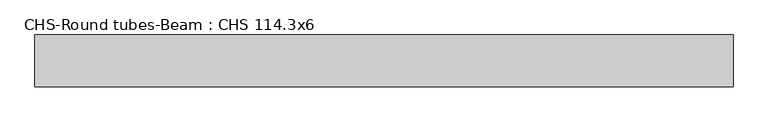
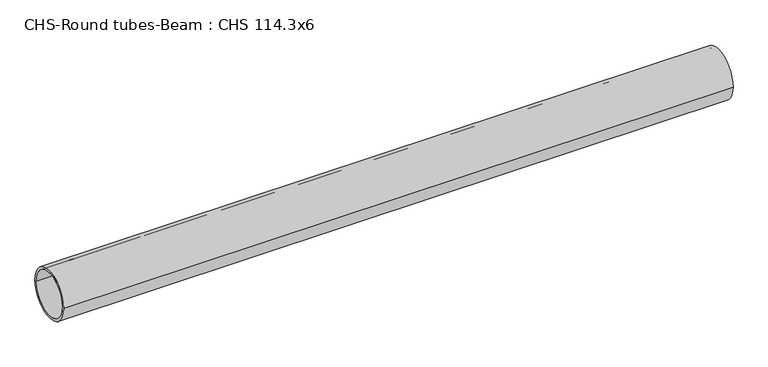
"""IFC4 building model written with IfcOpenShell, lengths in millimetres: beam geometry, CHS-Round tubes-Beam : CHS 114.3x6."""

from ifc_helpers import new_model, si_unit, point, frame, origin, origin_2d, place, context, project, spatial, circle_curve, trimmed, segment, composite_curve, outline, extrude, source, transform, mapped, element, save


def chs_round_tubes_beam_chs_114_3x6_e3d2d596(model_context):
    return source(origin(), model_context, "Body", "SweptSolid", [
        extrude(outline(composite_curve([segment(trimmed(circle_curve(origin_2d(), 57.15), [point((57.15, 0.0))], [point((-57.15, 0.0))], False, "CARTESIAN"), True, "CONTINUOUS"), segment(trimmed(circle_curve(origin_2d(), 57.15), [point((-57.15, 0.0))], [point((57.15, 0.0))], False, "CARTESIAN"), True, "CONTINUOUS")], self_intersect=False), holes=[composite_curve([segment(trimmed(circle_curve(origin_2d(), 51.15), [point((51.15, 0.0))], [point((-51.15, 0.0))], True, "CARTESIAN"), True, "CONTINUOUS"), segment(trimmed(circle_curve(origin_2d(), 51.15), [point((-51.15, 0.0))], [point((51.15, 0.0))], True, "CARTESIAN"), True, "CONTINUOUS")], self_intersect=False)]), frame((-759.9796074, 0.0, 0.0), z_axis=(1.0, 0.0, 0.0), x_axis=(0.0, 1.0, 0.0)), (0.0, 0.0, 1.0), 1532.8013138),
    ])


if __name__ == "__main__":
    model = new_model("IFC4")
    model_context = context("Model", 3, world=origin())
    ifc_project = project(units=[si_unit("LENGTHUNIT", "METRE", prefix="MILLI")], contexts=[model_context])
    site = spatial("IfcSite", under=ifc_project)
    building = spatial("IfcBuilding", under=site)
    placement = place(None, origin())
    chs_round_tubes_beam_chs_114_3x6_shape = chs_round_tubes_beam_chs_114_3x6_e3d2d596(model_context)
    element("IfcBeam", 1, ObjectType="CHS-Round tubes-Beam : CHS 114.3x6", at=placement, inside=building, context=model_context, shape_type="MappedRepresentation", body=[
        mapped(chs_round_tubes_beam_chs_114_3x6_shape, transform((0.0, 0.0, 0.0), x_axis=(1.0, 0.0, 0.0), y_axis=(0.0, 1.0, 0.0), z_axis=(0.0, 0.0, 1.0))),
    ])
    save(model, "model.ifc")
